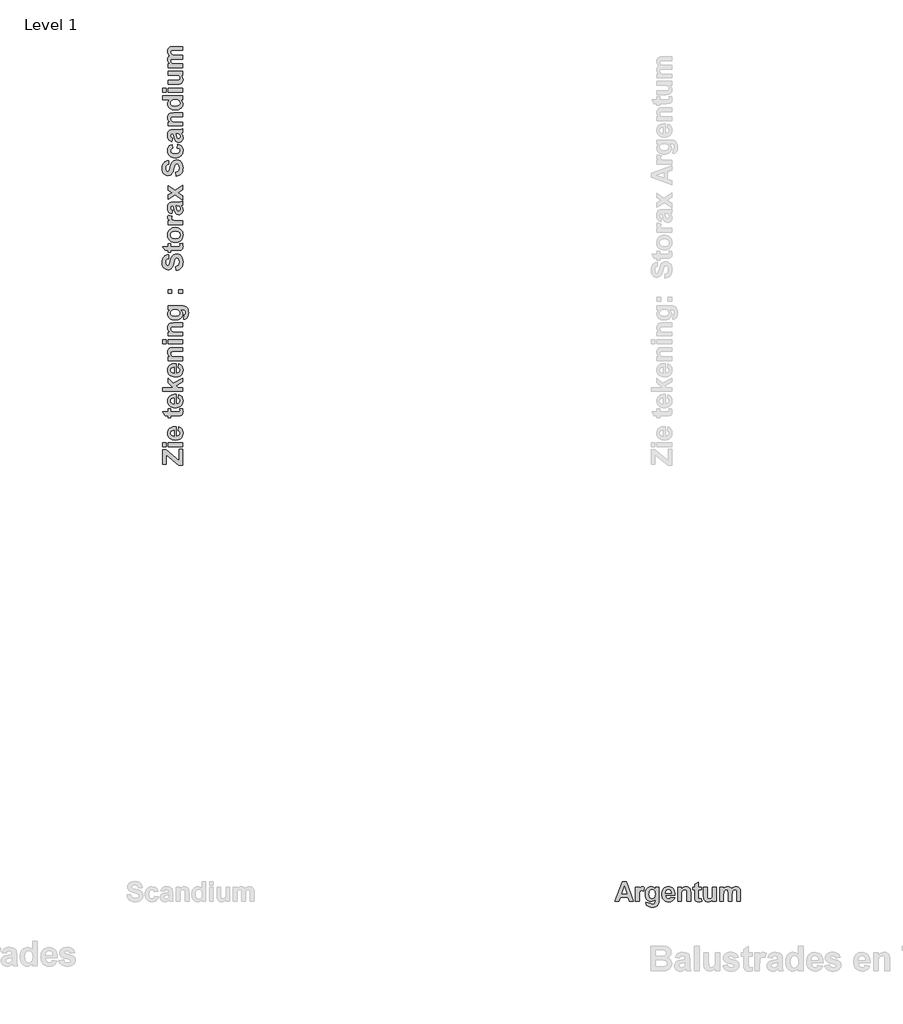
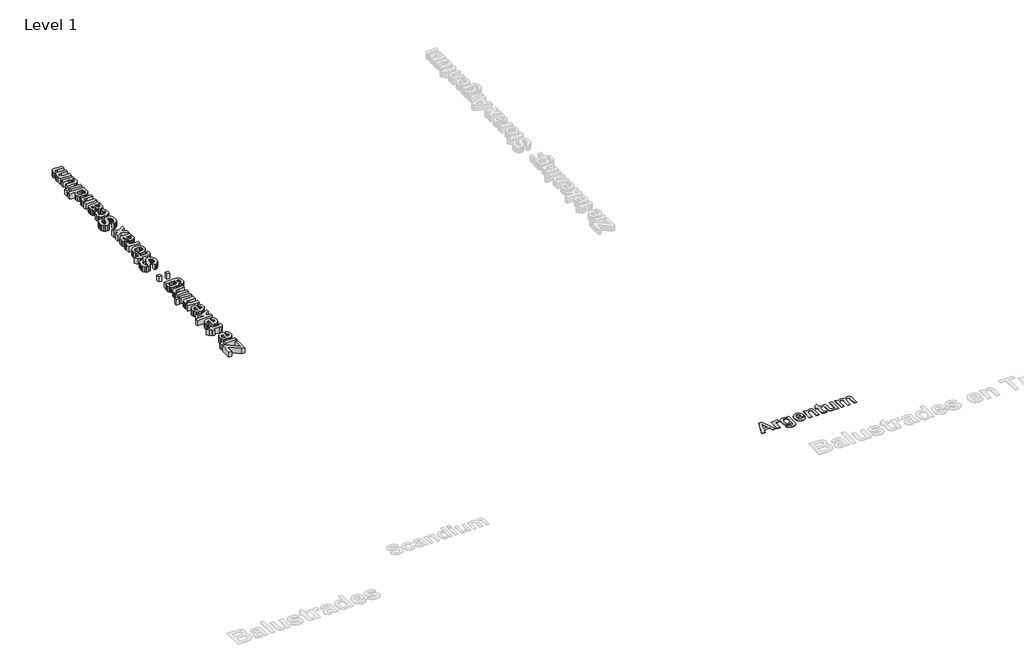
# One storey, part 13 of 20: 2 proxies.
"""IFC4 building model written with IfcOpenShell, lengths in millimetres."""

from ifc_helpers import new_model, si_unit, origin, origin_with_axes, place, context, project, spatial, polyline, outline, extrude, element, save

model = new_model("IFC4")

# Units and contexts
model_context = context("Model", 3, world=origin())
ifc_project = project(units=[si_unit("LENGTHUNIT", "METRE", prefix="MILLI")], contexts=[model_context])

# Site, building, storey
site = spatial("IfcSite", under=ifc_project)
building = spatial("IfcBuilding", under=site)
storey = spatial("IfcBuildingStorey", under=building, Name="Level 1", Elevation=0.0)

# Proxies
placement = place(None, origin())
element("IfcBuildingElementProxy", 1, Name="400mm", ObjectType="400mm", at=placement, inside=storey, context=model_context, shape_type="SweptSolid", body=[
    extrude(outline(polyline([(21401.3392889, -15738.0938306), (21321.2797651, -15738.0938306), (21289.9305587, -15649.2049417), (21138.8392889, -15649.2049417), (21107.8869079, -15738.0938306), (21026.7361143, -15738.0938306), (21172.7678603, -15338.0938306), (21253.9186539, -15338.0938306), (21401.3392889, -15738.0938306)]), holes=[polyline([(21265.5257968, -15579.3636718), (21214.0377016, -15433.3319258), (21163.2440508, -15579.3636718), (21265.5257968, -15579.3636718)])]), origin_with_axes(), (0.0, 0.0, 1.0), 5.0),
    extrude(outline(polyline([(21515.6250031, -15738.0938306), (21439.434527, -15738.0938306), (21439.434527, -15446.0303385), (21515.6250031, -15446.0303385), (21515.6250031, -15486.7049417), (21531.7212333, -15462.7838107), (21546.0813524, -15448.7585131), (21560.5158762, -15441.9504774), (21576.8353206, -15439.6811322), (21600.6200428, -15443.6989893), (21623.5615111, -15455.7525607), (21601.3392889, -15528.272402), (21582.9861143, -15518.9718068), (21566.0218285, -15515.8716083), (21551.3764912, -15518.0417472), (21539.1865111, -15524.5521639), (21529.3898841, -15536.7173425), (21521.9246063, -15555.8517671), (21517.1999039, -15590.8716083), (21515.6250031, -15650.6930369), (21515.6250031, -15738.0938306)])), origin_with_axes(), (0.0, 0.0, 1.0), 5.0),
    extrude(outline(polyline([(21648.9583365, -15757.1414496), (21737.8472254, -15769.8398623), (21741.2450428, -15781.0501798), (21747.2718285, -15788.0938306), (21760.4910746, -15793.4509734), (21779.513892, -15795.2366877), (21804.1666698, -15792.9797433), (21821.7757968, -15786.2089099), (21830.059527, -15778.2972036), (21836.0615111, -15766.6652591), (21839.434527, -15731.1493861), (21839.434527, -15688.5898623), (21819.7854694, -15710.2478484), (21798.5367095, -15725.7178385), (21775.6882472, -15734.9998325), (21751.2400825, -15738.0938306), (21724.5349734, -15734.9874318), (21700.7688524, -15725.6682353), (21679.9417194, -15710.1362413), (21662.0535746, -15688.3914496), (21650.7688524, -15667.5457155), (21642.7083365, -15644.2942274), (21637.872027, -15618.6369853), (21636.2599238, -15590.5739893), (21638.3711589, -15556.0346788), (21644.7048643, -15525.8294456), (21655.2610399, -15499.9582899), (21670.0396857, -15478.4212115), (21687.9619327, -15461.4724268), (21707.9489119, -15449.366152), (21730.0006232, -15442.1023871), (21754.1170666, -15439.6811322), (21778.8690508, -15442.5519159), (21801.3392889, -15451.1642671), (21821.5277809, -15465.5181857), (21839.434527, -15485.6136718), (21839.434527, -15446.0303385), (21915.6250031, -15446.0303385), (21915.6250031, -15705.4549417), (21913.5540706, -15750.1101996), (21907.341273, -15781.8934337), (21897.3958365, -15804.5000806), (21884.1269873, -15821.6255766), (21866.6914714, -15834.460398), (21844.2460349, -15844.195021), (21815.9846262, -15850.3334139), (21781.1011936, -15852.3795449), (21747.6624535, -15850.8542472), (21719.4692492, -15846.2783544), (21696.5215805, -15838.6518663), (21678.8194476, -15827.9747829), (21665.6250031, -15814.9539496), (21656.2004, -15800.2962115), (21650.5456381, -15784.0015687), (21648.6607174, -15766.070021), (21648.9583365, -15757.1414496)]), holes=[polyline([(21712.4504, -15587.6970052), (21716.8526817, -15629.6116877), (21722.3555339, -15645.6955171), (21730.059527, -15658.5303385), (21749.7395865, -15675.3458147), (21773.5615111, -15680.9509734), (21799.0947452, -15675.1970052), (21820.3373047, -15657.9351004), (21828.6923395, -15645.0444754), (21834.6602214, -15629.3884734), (21839.434527, -15589.7803385), (21834.8586341, -15548.646906), (21829.138768, -15532.646782), (21821.1309555, -15519.6910528), (21800.4092293, -15502.5407552), (21774.8511936, -15496.8239893), (21750.0620071, -15502.429148), (21730.059527, -15519.2446242), (21722.3555339, -15531.9306361), (21716.8526817, -15547.5680369), (21712.4504, -15587.6970052)])]), origin_with_axes(), (0.0, 0.0, 1.0), 5.0),
    extrude(outline(polyline([(22156.8948444, -15649.2049417), (22233.0853206, -15661.9033544), (22214.5337333, -15697.4564298), (22202.1329397, -15711.6150359), (22187.6488127, -15723.3616877), (22171.1495567, -15732.584778), (22152.7033762, -15739.1726996), (22109.9702412, -15744.4430369), (22075.4650329, -15741.3366381), (22045.7589317, -15732.0174417), (22020.8519377, -15716.4854476), (22000.7440508, -15694.740656), (21988.5044674, -15673.5414992), (21979.7619079, -15649.725775), (21974.5163722, -15623.2934833), (21972.7678603, -15594.2446242), (21975.0868087, -15559.9936322), (21982.0436539, -15529.6612909), (21993.638396, -15503.2476004), (22009.8710349, -15480.7525607), (22029.6503008, -15462.7838107), (22051.8849238, -15449.9489893), (22076.5749039, -15442.2480964), (22103.7202412, -15439.6811322), (22133.8851718, -15442.3163008), (22160.6894873, -15450.2218068), (22184.1331877, -15463.39765), (22204.216273, -15481.8438306), (22220.2194972, -15505.7339595), (22231.4236143, -15535.241648), (22237.8286242, -15570.366896), (22239.434527, -15611.1097036), (22048.9583365, -15611.1097036), (22053.8442492, -15643.2029575), (22066.9146857, -15667.2604972), (22086.185519, -15682.2902591), (22109.6726222, -15687.3001798), (22125.669646, -15685.0432353), (22138.9384952, -15678.272402), (22149.3799635, -15666.491648), (22156.8948444, -15649.2049417)]), holes=[polyline([(22163.2440508, -15566.6652591), (22158.6061539, -15536.5437314), (22146.2797651, -15514.631529), (22128.373019, -15501.2758742), (22106.9940508, -15496.8239893), (22084.4246063, -15501.5114893), (22066.1210349, -15515.5739893), (22054.1170666, -15537.7714099), (22050.248019, -15566.6652591), (22163.2440508, -15566.6652591)])]), origin_with_axes(), (0.0, 0.0, 1.0), 5.0),
    extrude(outline(polyline([(22556.8948444, -15738.0938306), (22480.7043682, -15738.0938306), (22480.7043682, -15587.9946242), (22479.513892, -15548.7089099), (22475.9424635, -15526.288275), (22469.6676619, -15513.8626798), (22460.3670666, -15504.5620845), (22448.4871063, -15498.7585131), (22434.4742095, -15496.8239893), (22416.0342293, -15499.5893663), (22399.6031778, -15507.8854972), (22386.607146, -15520.757521), (22378.4722254, -15537.2505766), (22374.1939516, -15563.3046441), (22372.7678603, -15604.8597036), (22372.7678603, -15738.0938306), (22296.5773841, -15738.0938306), (22296.5773841, -15446.0303385), (22372.7678603, -15446.0303385), (22372.7678603, -15488.0938306), (22392.044894, -15466.913275), (22413.6656778, -15451.7843068), (22437.6302115, -15442.7069258), (22463.9384952, -15439.6811322), (22487.1031778, -15441.9876798), (22508.184527, -15448.9073226), (22525.7936539, -15459.3983941), (22538.5416698, -15472.4192274), (22547.2842293, -15487.6598028), (22552.8769873, -15504.8101004), (22556.8948444, -15556.7446242), (22556.8948444, -15738.0938306)])), origin_with_axes(), (0.0, 0.0, 1.0), 5.0),
    extrude(outline(polyline([(22772.7678603, -15446.0303385), (22772.7678603, -15503.1731956), (22715.6250031, -15503.1731956), (22715.6250031, -15628.4708147), (22717.3611143, -15672.7664496), (22725.248019, -15683.1831163), (22740.2281778, -15687.3001798), (22775.9424635, -15679.9589099), (22779.1170666, -15734.1255766), (22749.7271857, -15741.8636718), (22716.716273, -15744.4430369), (22696.4285746, -15742.6573226), (22678.2242095, -15737.3001798), (22663.3556579, -15729.115656), (22653.0754, -15718.8477988), (22646.2921658, -15705.5293464), (22641.9146857, -15688.1930369), (22639.434527, -15632.7366877), (22639.434527, -15503.1731956), (22601.3392889, -15503.1731956), (22601.3392889, -15446.0303385), (22639.434527, -15446.0303385), (22639.434527, -15388.8874814), (22715.6250031, -15344.4430369), (22715.6250031, -15446.0303385), (22772.7678603, -15446.0303385)])), origin_with_axes(), (0.0, 0.0, 1.0), 5.0),
    extrude(outline(polyline([(23001.3392889, -15738.0938306), (23001.3392889, -15695.2366877), (22983.7921658, -15715.710398), (22961.5079397, -15731.2981956), (22936.1483166, -15741.1568266), (22909.3750031, -15744.4430369), (22882.9117095, -15741.2188306), (22859.2757968, -15731.5462115), (22840.1289714, -15716.0328187), (22827.1329397, -15695.2862909), (22819.6924635, -15667.4465091), (22817.2123047, -15630.6533544), (22817.2123047, -15446.0303385), (22893.4027809, -15446.0303385), (22893.4027809, -15581.0501798), (22894.4320468, -15631.037779), (22897.5198444, -15656.9926401), (22903.3482174, -15669.4926401), (22912.5992095, -15679.115656), (22925.0372055, -15685.2540488), (22940.4265904, -15687.3001798), (22958.6681579, -15684.5720052), (22974.9007968, -15676.3874814), (22987.7232174, -15664.147898), (22995.7341301, -15649.2545449), (22999.9379992, -15621.3155568), (23001.3392889, -15569.9390687), (23001.3392889, -15446.0303385), (23077.5297651, -15446.0303385), (23077.5297651, -15738.0938306), (23001.3392889, -15738.0938306)])), origin_with_axes(), (0.0, 0.0, 1.0), 5.0),
    extrude(outline(polyline([(23147.3710349, -15446.0303385), (23223.5615111, -15446.0303385), (23223.5615111, -15485.1176401), (23242.3177115, -15465.2391679), (23262.7728206, -15451.0402591), (23284.9268385, -15442.5209139), (23308.7797651, -15439.6811322), (23333.3209357, -15442.4713107), (23354.3650825, -15450.8418464), (23371.9370071, -15464.8671441), (23386.0615111, -15484.6216083), (23405.5679595, -15464.8671441), (23426.5873047, -15450.8418464), (23449.0947452, -15442.4713107), (23473.0654793, -15439.6811322), (23502.0089317, -15442.9425409), (23526.1408762, -15452.7267671), (23545.138892, -15468.835398), (23558.6805587, -15491.070021), (23564.4841301, -15515.4995845), (23566.4186539, -15551.4866877), (23566.4186539, -15738.0938306), (23490.2281778, -15738.0938306), (23490.2281778, -15569.9390687), (23488.2936539, -15533.9519655), (23482.4900825, -15513.490656), (23469.3452412, -15500.990656), (23450.5456381, -15496.8239893), (23435.3298643, -15499.3165488), (23421.0317492, -15506.7942274), (23409.1269873, -15519.0834139), (23401.091273, -15536.0104972), (23396.5153801, -15560.8368861), (23394.9900825, -15596.8239893), (23394.9900825, -15738.0938306), (23318.7996063, -15738.0938306), (23318.7996063, -15576.8835131), (23314.8313524, -15521.4767671), (23309.7842293, -15510.6136718), (23302.5793682, -15502.9251798), (23292.795142, -15498.3492869), (23280.0099238, -15496.8239893), (23263.7152809, -15499.2421441), (23249.1567492, -15506.4966083), (23237.4007968, -15518.3269655), (23229.513892, -15534.4727988), (23225.0496063, -15558.7907552), (23223.5615111, -15595.1374814), (23223.5615111, -15738.0938306), (23147.3710349, -15738.0938306), (23147.3710349, -15446.0303385)])), origin_with_axes(), (0.0, 0.0, 1.0), 5.0),
])
element("IfcBuildingElementProxy", 2, Name="400mm", ObjectType="400mm", at=placement, inside=storey, context=model_context, shape_type="SweptSolid", body=[
    extrude(outline(polyline([(12273.6643168, -6913.9641128), (12195.9302673, -6913.9641128), (11936.8167689, -6695.2358823), (11936.8167689, -6888.0527629), (11865.5605568, -6888.0527629), (11865.5605568, -6596.5500772), (11936.8167689, -6596.5500772), (12202.4081047, -6820.7439831), (12202.4081047, -6590.0722398), (12273.6643168, -6590.0722398), (12273.6643168, -6913.9641128)])), origin_with_axes(), (0.0, 0.0, 1.0), 150.0),
    extrude(outline(polyline([(12273.6643168, -6538.2495401), (11975.6837936, -6538.2495401), (11975.6837936, -6460.5154906), (12273.6643168, -6460.5154906), (12273.6643168, -6538.2495401)])), origin_with_axes(), (0.0, 0.0, 1.0), 150.0),
    extrude(outline(polyline([(11936.8167689, -6538.2495401), (11865.5605568, -6538.2495401), (11865.5605568, -6460.5154906), (11936.8167689, -6460.5154906), (11936.8167689, -6538.2495401)])), origin_with_axes(), (0.0, 0.0, 1.0), 150.0),
    extrude(outline(polyline([(12182.9745924, -6214.3576671), (12195.9302673, -6136.6236176), (12232.2036266, -6155.5510489), (12246.6490777, -6168.2030752), (12258.6337096, -6182.9806419), (12268.0436541, -6199.8141629), (12274.7650431, -6218.634052), (12280.1421543, -6262.2329346), (12276.9728217, -6297.4371977), (12267.4648239, -6327.7451267), (12251.618161, -6353.1567215), (12229.4328329, -6373.6719821), (12207.8041939, -6386.1595321), (12183.5059775, -6395.0792106), (12156.5381834, -6400.4310177), (12126.9008118, -6402.2149534), (12091.9559152, -6399.8490245), (12061.0090589, -6392.7512378), (12034.0602429, -6380.9215932), (12011.1094672, -6364.3600908), (11992.7766811, -6344.1801088), (11979.6818339, -6321.4950257), (11971.8249256, -6296.3048414), (11969.2059562, -6268.6095558), (11971.8945118, -6237.8335019), (11979.9601785, -6210.4861471), (11993.4029564, -6186.5674914), (12012.2228456, -6166.0775348), (12036.5969742, -6149.7500948), (12066.7024708, -6138.3189891), (12102.5393352, -6131.7842175), (12144.1075676, -6130.1457801), (12144.1075676, -6324.4809039), (12176.8510116, -6319.4960056), (12201.3959426, -6306.1607698), (12216.7301985, -6286.499521), (12221.8416171, -6262.5365832), (12219.5389483, -6246.2154693), (12212.630942, -6232.6778012), (12200.611517, -6222.024795), (12182.9745924, -6214.3576671)]), holes=[polyline([(12098.7627054, -6207.8798296), (12068.0309335, -6212.6116875), (12045.6748031, -6225.1878016), (12032.0485707, -6243.4573276), (12027.5064933, -6265.2694209), (12032.2889592, -6288.2961087), (12046.6363571, -6306.9704995), (12069.2834841, -6319.217661), (12098.7627054, -6323.1650932), (12098.7627054, -6207.8798296)])]), origin_with_axes(), (0.0, 0.0, 1.0), 150.0),
    extrude(outline(polyline([(11975.6837936, -5773.8647198), (12033.9843308, -5773.8647198), (12033.9843308, -5832.165257), (12161.8204044, -5832.165257), (12207.0134423, -5830.3939733), (12217.6411444, -5822.3472846), (12221.8416171, -5807.0636368), (12214.3516175, -5770.6258011), (12269.6156684, -5767.3868824), (12277.5105328, -5797.3721847), (12280.1421543, -5831.0518786), (12278.3202625, -5851.7505936), (12272.8545871, -5870.3237682), (12264.5042498, -5885.4935478), (12254.028372, -5895.9820776), (12240.4400958, -5902.9027359), (12222.752563, -5907.3689012), (12166.1727014, -5909.8993065), (12033.9843308, -5909.8993065), (12033.9843308, -5948.7663312), (11975.6837936, -5948.7663312), (11975.6837936, -5909.8993065), (11917.3832565, -5909.8993065), (11872.0383943, -5832.165257), (11975.6837936, -5832.165257), (11975.6837936, -5773.8647198)])), origin_with_axes(), (0.0, 0.0, 1.0), 150.0),
    extrude(outline(polyline([(12182.9745924, -5560.0960836), (12195.9302673, -5482.3620341), (12232.2036266, -5501.2894654), (12246.6490777, -5513.9414917), (12258.6337096, -5528.7190584), (12268.0436541, -5545.5525794), (12274.7650431, -5564.3724685), (12280.1421543, -5607.9713511), (12276.9728217, -5643.1756143), (12267.4648239, -5673.4835432), (12251.618161, -5698.895138), (12229.4328329, -5719.4103987), (12207.8041939, -5731.8979486), (12183.5059775, -5740.8176271), (12156.5381834, -5746.1694343), (12126.9008118, -5747.95337), (12091.9559152, -5745.5874411), (12061.0090589, -5738.4896543), (12034.0602429, -5726.6600097), (12011.1094672, -5710.0985073), (11992.7766811, -5689.9185254), (11979.6818339, -5667.2334422), (11971.8249256, -5642.0432579), (11969.2059562, -5614.3479724), (11971.8945118, -5583.5719184), (11979.9601785, -5556.2245636), (11993.4029564, -5532.3059079), (12012.2228456, -5511.8159513), (12036.5969742, -5495.4885114), (12066.7024708, -5484.0574056), (12102.5393352, -5477.5226341), (12144.1075676, -5475.8841967), (12144.1075676, -5670.2193205), (12176.8510116, -5665.2344221), (12201.3959426, -5651.8991864), (12216.7301985, -5632.2379375), (12221.8416171, -5608.2749997), (12219.5389483, -5591.9538858), (12212.630942, -5578.4162177), (12200.611517, -5567.7632116), (12182.9745924, -5560.0960836)]), holes=[polyline([(12098.7627054, -5553.6182462), (12068.0309335, -5558.350104), (12045.6748031, -5570.9262181), (12032.0485707, -5589.1957441), (12027.5064933, -5611.0078374), (12032.2889592, -5634.0345253), (12046.6363571, -5652.7089161), (12069.2834841, -5664.9560775), (12098.7627054, -5668.9035097), (12098.7627054, -5553.6182462)])]), origin_with_axes(), (0.0, 0.0, 1.0), 150.0),
    extrude(outline(polyline([(12273.6643168, -5417.5836595), (11865.5605568, -5417.5836595), (11865.5605568, -5339.84961), (12080.6450037, -5339.84961), (11975.6837936, -5245.9209668), (11975.6837936, -5155.2312424), (12085.1997332, -5255.131642), (12273.6643168, -5148.7534049), (12273.6643168, -5226.4874544), (12140.1601354, -5305.1324499), (12178.2174305, -5339.84961), (12273.6643168, -5339.84961), (12273.6643168, -5417.5836595)])), origin_with_axes(), (0.0, 0.0, 1.0), 150.0),
    extrude(outline(polyline([(12182.9745924, -4938.2236875), (12195.9302673, -4860.4896379), (12232.2036266, -4879.4170693), (12246.6490777, -4892.0690956), (12258.6337096, -4906.8466623), (12268.0436541, -4923.6801832), (12274.7650431, -4942.5000724), (12280.1421543, -4986.0989549), (12276.9728217, -5021.3032181), (12267.4648239, -5051.6111471), (12251.618161, -5077.0227419), (12229.4328329, -5097.5380025), (12207.8041939, -5110.0255524), (12183.5059775, -5118.945231), (12156.5381834, -5124.2970381), (12126.9008118, -5126.0809738), (12091.9559152, -5123.7150449), (12061.0090589, -5116.6172581), (12034.0602429, -5104.7876136), (12011.1094672, -5088.2261112), (11992.7766811, -5068.0461292), (11979.6818339, -5045.3610461), (11971.8249256, -5020.1708617), (11969.2059562, -4992.4755762), (11971.8945118, -4961.6995222), (11979.9601785, -4934.3521674), (11993.4029564, -4910.4335117), (12012.2228456, -4889.9435551), (12036.5969742, -4873.6161152), (12066.7024708, -4862.1850095), (12102.5393352, -4855.6502379), (12144.1075676, -4854.0118005), (12144.1075676, -5048.3469243), (12176.8510116, -5043.3620259), (12201.3959426, -5030.0267902), (12216.7301985, -5010.3655414), (12221.8416171, -4986.4026036), (12219.5389483, -4970.0814897), (12212.630942, -4956.5438215), (12200.611517, -4945.8908154), (12182.9745924, -4938.2236875)]), holes=[polyline([(12098.7627054, -4931.74585), (12068.0309335, -4936.4777078), (12045.6748031, -4949.053822), (12032.0485707, -4967.3233479), (12027.5064933, -4989.1354413), (12032.2889592, -5012.1621291), (12046.6363571, -5030.8365199), (12069.2834841, -5043.0836814), (12098.7627054, -5047.0311136), (12098.7627054, -4931.74585)])]), origin_with_axes(), (0.0, 0.0, 1.0), 150.0),
    extrude(outline(polyline([(12273.6643168, -4530.1199275), (12273.6643168, -4607.853977), (12120.5241906, -4607.853977), (12080.4425713, -4609.0685715), (12057.5677078, -4612.7123551), (12044.8903774, -4619.1142804), (12035.4013577, -4628.6033001), (12029.4802094, -4640.7239413), (12027.5064933, -4655.020731), (12030.3278952, -4673.8342941), (12038.7921008, -4690.5982289), (12051.924904, -4703.8575525), (12068.752099, -4712.1572817), (12095.3340062, -4716.5222308), (12137.7309463, -4717.9772138), (12273.6643168, -4717.9772138), (12273.6643168, -4795.7112633), (11975.6837936, -4795.7112633), (11975.6837936, -4717.9772138), (12018.5994668, -4717.9772138), (11996.9898059, -4698.309639), (11981.5543338, -4676.2508311), (11972.2930506, -4651.8007903), (11969.2059562, -4624.9595165), (11971.5592331, -4601.3255314), (11978.6190637, -4579.8170867), (11989.322678, -4561.8512094), (12002.6073056, -4548.8449264), (12018.1566459, -4539.9252479), (12035.6543982, -4534.219184), (12088.6410843, -4530.1199275), (12273.6643168, -4530.1199275)])), origin_with_axes(), (0.0, 0.0, 1.0), 150.0),
    extrude(outline(polyline([(12273.6643168, -4452.385878), (11975.6837936, -4452.385878), (11975.6837936, -4374.6518284), (12273.6643168, -4374.6518284), (12273.6643168, -4452.385878)])), origin_with_axes(), (0.0, 0.0, 1.0), 150.0),
    extrude(outline(polyline([(11936.8167689, -4452.385878), (11865.5605568, -4452.385878), (11865.5605568, -4374.6518284), (11936.8167689, -4374.6518284), (11936.8167689, -4452.385878)])), origin_with_axes(), (0.0, 0.0, 1.0), 150.0),
    extrude(outline(polyline([(12273.6643168, -4031.3264431), (12273.6643168, -4109.0604926), (12120.5241906, -4109.0604926), (12080.4425713, -4110.2750871), (12057.5677078, -4113.9188707), (12044.8903774, -4120.320796), (12035.4013577, -4129.8098157), (12029.4802094, -4141.9304569), (12027.5064933, -4156.2272466), (12030.3278952, -4175.0408097), (12038.7921008, -4191.8047445), (12051.924904, -4205.0640681), (12068.752099, -4213.3637973), (12095.3340062, -4217.7287464), (12137.7309463, -4219.1837294), (12273.6643168, -4219.1837294), (12273.6643168, -4296.9177789), (11975.6837936, -4296.9177789), (11975.6837936, -4219.1837294), (12018.5994668, -4219.1837294), (11996.9898059, -4199.5161545), (11981.5543338, -4177.4573467), (11972.2930506, -4153.0073059), (11969.2059562, -4126.1660321), (11971.5592331, -4102.532047), (11978.6190637, -4081.0236023), (11989.322678, -4063.057725), (12002.6073056, -4050.051442), (12018.1566459, -4041.1317634), (12035.6543982, -4035.4256996), (12088.6410843, -4031.3264431), (12273.6643168, -4031.3264431)])), origin_with_axes(), (0.0, 0.0, 1.0), 150.0),
    extrude(outline(polyline([(12293.0978292, -3960.070231), (12306.0535041, -3869.3805066), (12317.4909359, -3865.9138514), (12324.6772868, -3859.7649666), (12330.1429621, -3846.2779066), (12331.9648539, -3826.8696982), (12329.6621851, -3801.71747), (12322.7541788, -3783.7515926), (12314.682186, -3775.3000391), (12302.8145854, -3769.1764583), (12266.5791821, -3765.7351072), (12223.1574278, -3765.7351072), (12245.2541918, -3785.7822429), (12261.0375946, -3807.4614899), (12270.5076362, -3830.7728483), (12273.6643168, -3855.7163182), (12270.4949842, -3882.9624568), (12260.9869864, -3907.2100652), (12245.1403235, -3928.4591433), (12222.9549954, -3946.7096912), (12201.6869392, -3958.2230352), (12177.9643899, -3966.4468522), (12151.7873475, -3971.3811425), (12123.1558121, -3973.0259059), (12087.9167558, -3970.8718984), (12057.0995828, -3964.409876), (12030.704293, -3953.6398386), (12008.7308863, -3938.5617863), (11991.4387294, -3920.2764453), (11979.0871887, -3899.8845419), (11971.6762643, -3877.3860762), (11969.2059562, -3852.7810481), (11972.1349003, -3827.5276036), (11980.9217325, -3804.602132), (11995.5664529, -3784.0046332), (12016.0690615, -3765.7351072), (11975.6837936, -3765.7351072), (11975.6837936, -3688.0010577), (12240.3641836, -3688.0010577), (12285.9241303, -3690.1139461), (12318.3512736, -3696.4526112), (12341.4159176, -3706.5995363), (12358.8883659, -3720.1372045), (12371.9832131, -3737.9259534), (12381.9150537, -3760.826121), (12388.1778067, -3789.6600889), (12390.2653911, -3825.2502389), (12388.7091918, -3859.3664278), (12384.0405941, -3888.1308095), (12376.259598, -3911.5433842), (12365.3662033, -3929.6041517), (12352.0815757, -3943.0659077), (12337.1268807, -3952.6814476), (12320.5021181, -3958.4507716), (12302.2072881, -3960.3738796), (12293.0978292, -3960.070231)]), holes=[polyline([(12120.220542, -3895.2918564), (12162.9843908, -3890.8003871), (12179.3940689, -3885.1860504), (12192.4889161, -3877.3259791), (12209.6450638, -3857.2472133), (12215.3637797, -3832.9426708), (12209.4932395, -3806.8921487), (12191.8816189, -3785.2192277), (12178.7298375, -3776.694925), (12162.7566543, -3770.6061373), (12122.3460824, -3765.7351072), (12080.3793112, -3770.4037049), (12064.0550343, -3776.239452), (12050.8368298, -3784.409498), (12033.3390774, -3805.5510339), (12027.5064933, -3831.6268601), (12033.2252092, -3856.9182607), (12050.3813568, -3877.3259791), (12063.3243797, -3885.1860504), (12079.2785849, -3890.8003871), (12120.220542, -3895.2918564)])]), origin_with_axes(), (0.0, 0.0, 1.0), 150.0),
    extrude(outline(polyline([(12053.4178431, -3435.3653967), (11975.6837936, -3435.3653967), (11975.6837936, -3357.6313472), (12053.4178431, -3357.6313472), (12053.4178431, -3435.3653967)])), origin_with_axes(), (0.0, 0.0, 1.0), 150.0),
    extrude(outline(polyline([(12273.6643168, -3435.3653967), (12195.9302673, -3435.3653967), (12195.9302673, -3357.6313472), (12273.6643168, -3357.6313472), (12273.6643168, -3435.3653967)])), origin_with_axes(), (0.0, 0.0, 1.0), 150.0),
    extrude(outline(polyline([(12137.6297301, -2968.9610996), (12131.1518927, -2891.2270501), (12165.9196609, -2879.8908345), (12190.0597271, -2860.862187), (12204.1793884, -2834.0145872), (12208.8859422, -2799.2215149), (12204.7234255, -2763.1126319), (12192.2358756, -2737.175978), (12174.1814341, -2721.5380735), (12153.3182427, -2716.3254387), (12140.0968753, -2718.4889352), (12128.9757441, -2724.9794247), (12119.5752886, -2736.8849814), (12111.5159479, -2755.2936796), (12094.2079759, -2822.7036757), (12076.3180107, -2880.2450913), (12065.873763, -2901.4625394), (12054.4300053, -2917.644481), (12036.7108424, -2934.4273939), (12017.1571358, -2946.4151888), (11995.7688854, -2953.6078657), (11972.5460911, -2956.0054247), (11942.4848766, -2951.6025195), (11914.4479864, -2938.3938041), (11890.6368729, -2916.8853594), (11873.2529888, -2887.5832665), (11862.6252867, -2850.9683024), (11859.0827193, -2807.5212442), (11861.2904979, -2771.5800005), (11867.9138337, -2740.3769406), (11878.9527266, -2713.9120647), (11894.4071767, -2692.1853725), (11913.5433665, -2675.1272781), (11935.6274784, -2662.6681952), (11960.6595124, -2654.8081238), (11988.6394685, -2651.5470641), (11988.6394685, -2729.2811136), (11961.9310411, -2737.8718394), (11943.9525117, -2752.7126663), (11933.7423265, -2775.1700129), (11930.3389314, -2806.6102983), (11933.9574109, -2839.707999), (11944.8128495, -2864.708403), (11955.6935921, -2874.8806321), (11969.7120372, -2878.2713752), (11982.9460567, -2875.1842808), (11994.1051439, -2865.9229975), (12007.1746871, -2839.0374416), (12020.6743991, -2789.7577993), (12034.7181483, -2737.163326), (12049.4198028, -2700.3332774), (12067.2212038, -2674.5231438), (12090.5641923, -2654.9884152), (12119.739765, -2642.6906457), (12155.0389183, -2638.5913892), (12188.7439163, -2643.4371152), (12220.2221577, -2657.9742934), (12246.6901967, -2681.3805421), (12265.3645875, -2712.8334794), (12276.4477626, -2752.6747102), (12280.1421543, -2801.2458391), (12277.8679525, -2837.5698066), (12271.0453473, -2869.4149568), (12259.6743387, -2896.7812896), (12243.7549266, -2919.6688052), (12223.4768915, -2938.2356538), (12199.0300137, -2952.6399857), (12170.4142933, -2962.881801), (12137.6297301, -2968.9610996)])), origin_with_axes(), (0.0, 0.0, 1.0), 150.0),
    extrude(outline(polyline([(11975.6837936, -2431.3005904), (12033.9843308, -2431.3005904), (12033.9843308, -2489.6011276), (12161.8204044, -2489.6011276), (12207.0134423, -2487.8298439), (12217.6411444, -2479.7831552), (12221.8416171, -2464.4995074), (12214.3516175, -2428.0616717), (12269.6156684, -2424.822753), (12277.5105328, -2454.8080553), (12280.1421543, -2488.4877493), (12278.3202625, -2509.1864643), (12272.8545871, -2527.7596389), (12264.5042498, -2542.9294184), (12254.028372, -2553.4179482), (12240.4400958, -2560.3386066), (12222.752563, -2564.8047718), (12166.1727014, -2567.3351771), (12033.9843308, -2567.3351771), (12033.9843308, -2606.2022019), (11975.6837936, -2606.2022019), (11975.6837936, -2567.3351771), (11917.3832565, -2567.3351771), (11872.0383943, -2489.6011276), (11975.6837936, -2489.6011276), (11975.6837936, -2431.3005904)])), origin_with_axes(), (0.0, 0.0, 1.0), 150.0),
    extrude(outline(polyline([(12120.4229744, -2405.3892406), (12081.8722503, -2400.5941226), (12044.5614247, -2386.2087687), (12012.2101935, -2363.0429086), (11988.5382523, -2331.9062719), (11974.0390302, -2294.7346187), (11969.2059562, -2253.4637089), (11971.9451199, -2221.4762234), (11980.1626109, -2192.5188983), (11993.8584294, -2166.5917334), (12013.0325752, -2143.6947288), (12036.3945418, -2124.9855449), (12062.6538223, -2111.6218422), (12091.8104169, -2103.6036205), (12123.8643255, -2100.93088), (12156.1744377, -2103.6320876), (12185.5935618, -2111.7357104), (12212.1216979, -2125.2417485), (12235.758846, -2144.1502018), (12255.1765434, -2167.1515856), (12269.0463272, -2192.9364151), (12277.3681975, -2221.5046905), (12280.1421543, -2252.8564116), (12275.5241647, -2292.49521), (12261.6701959, -2330.2362044), (12238.8838965, -2362.6253917), (12207.4689152, -2386.2087687), (12167.8427689, -2400.5941226), (12120.4229744, -2405.3892406)]), holes=[polyline([(12124.6740552, -2327.6551911), (12166.2359616, -2322.2780799), (12182.8891912, -2315.5566909), (12196.7906051, -2306.1467464), (12207.7504228, -2294.7630857), (12215.5788641, -2282.1205485), (12220.2759289, -2268.2191346), (12221.8416171, -2253.0588441), (12220.2759289, -2237.9048796), (12215.5788641, -2224.0224437), (12207.7504228, -2211.4115365), (12196.7906051, -2200.072158), (12182.8512351, -2190.7064955), (12166.0841373, -2184.0167366), (12124.0667579, -2178.6649295), (12082.9603245, -2184.0167366), (12066.4209632, -2190.7064955), (12052.5575054, -2200.072158), (12041.5976876, -2211.4115365), (12033.7692463, -2224.0224437), (12029.0721816, -2237.9048796), (12027.5064933, -2253.0588441), (12029.0721816, -2268.2191346), (12033.7692463, -2282.1205485), (12041.5976876, -2294.7630857), (12052.5575054, -2306.1467464), (12066.4589192, -2315.5566909), (12083.1121489, -2322.2780799), (12124.6740552, -2327.6551911)])]), origin_with_axes(), (0.0, 0.0, 1.0), 150.0),
    extrude(outline(polyline([(12273.6643168, -1964.8962933), (12273.6643168, -2042.6303428), (11975.6837936, -2042.6303428), (11975.6837936, -1964.8962933), (12017.1824399, -1964.8962933), (11992.7766811, -1948.4739632), (11978.4672394, -1933.8229167), (11971.521277, -1919.0959581), (11969.2059562, -1902.4458915), (11973.3052127, -1878.1793051), (11985.6029822, -1854.7730565), (12059.592032, -1877.4454876), (12050.1030123, -1896.1704865), (12046.9400057, -1913.4784585), (12049.1541103, -1928.4205015), (12055.7964241, -1940.8574434), (12068.2080619, -1950.8525441), (12087.7301384, -1958.469064), (12123.4594607, -1963.289486), (12184.4928355, -1964.8962933), (12273.6643168, -1964.8962933)])), origin_with_axes(), (0.0, 0.0, 1.0), 150.0),
    extrude(outline(polyline([(12066.3735181, -1757.6054946), (12053.4178431, -1828.8617066), (12016.0690615, -1813.4135825), (12001.5698394, -1802.6055891), (11989.8540631, -1789.7416414), (11980.8205163, -1774.17016), (11974.3679829, -1755.2395657), (11969.2059562, -1707.3010381), (11972.3310067, -1663.955196), (11981.7061581, -1633.3119883), (11995.8764276, -1612.6132733), (12013.386832, -1599.1009092), (12040.6013405, -1591.6615178), (12083.8839225, -1589.1817206), (12175.7882414, -1589.1817206), (12233.6839137, -1585.0824641), (12273.6643168, -1569.7482082), (12273.6643168, -1647.4822578), (12248.9675615, -1654.7698249), (12239.1495891, -1657.5026626), (12257.0522063, -1677.6193844), (12269.8687089, -1699.102525), (12277.5737929, -1722.0026926), (12280.1421543, -1746.3704952), (12278.582792, -1767.3633699), (12273.9047053, -1786.0092936), (12266.1078941, -1802.3082665), (12255.1923584, -1816.2602885), (12241.8982418, -1827.4415167), (12226.9656878, -1835.4281083), (12210.3946963, -1840.2200632), (12192.1852675, -1841.8173816), (12168.34885, -1838.9706757), (12147.2452701, -1830.4305579), (12129.8107779, -1816.7537175), (12116.9816232, -1798.4968436), (12107.1383468, -1773.4205274), (12098.6614892, -1739.2853605), (12088.6663884, -1695.0791807), (12079.329193, -1666.9157701), (12071.13068, -1666.9157701), (12050.938046, -1669.3323072), (12037.5268981, -1676.5819182), (12030.0115945, -1690.5117992), (12027.5064933, -1712.9691458), (12029.6573378, -1729.0878273), (12036.1098712, -1741.2084685), (12047.9774718, -1750.3685355), (12066.3735181, -1757.6054946)]), holes=[polyline([(12137.6297301, -1666.9157701), (12148.4092565, -1710.7423892), (12160.7070261, -1750.0142788), (12171.7648971, -1760.5660687), (12185.5049976, -1764.083332), (12199.2830542, -1761.2619302), (12211.0620907, -1752.7977246), (12219.1467355, -1739.981222), (12221.8416171, -1724.102929), (12218.7039146, -1705.0489774), (12209.290807, -1686.9565798), (12198.7137131, -1676.0758372), (12186.0110787, -1669.749824), (12151.6987834, -1666.9157701), (12137.6297301, -1666.9157701)])]), origin_with_axes(), (0.0, 0.0, 1.0), 150.0),
    extrude(outline(polyline([(12273.6643168, -1547.0757771), (12120.220542, -1441.8109184), (11975.6837936, -1534.1201022), (11975.6837936, -1441.7097022), (12057.5677078, -1396.7697048), (11975.6837936, -1347.9834914), (11975.6837936, -1255.5730914), (12116.7791908, -1350.6151129), (12273.6643168, -1242.6174165), (12273.6643168, -1335.0278165), (12181.355133, -1396.7697048), (12273.6643168, -1454.6653771), (12273.6643168, -1547.0757771)])), origin_with_axes(), (0.0, 0.0, 1.0), 150.0),
    extrude(outline(polyline([(12137.6297301, -1064.4768864), (12131.1518927, -986.7428368), (12165.9196609, -975.4066213), (12190.0597271, -956.3779737), (12204.1793884, -929.530374), (12208.8859422, -894.7373017), (12204.7234255, -858.6284186), (12192.2358756, -832.6917647), (12174.1814341, -817.0538602), (12153.3182427, -811.8412254), (12140.0968753, -814.0047219), (12128.9757441, -820.4952114), (12119.5752886, -832.4007681), (12111.5159479, -850.8094664), (12094.2079759, -918.2194625), (12076.3180107, -975.760878), (12065.873763, -996.9783261), (12054.4300053, -1013.1602677), (12036.7108424, -1029.9431806), (12017.1571358, -1041.9309755), (11995.7688854, -1049.1236525), (11972.5460911, -1051.5212114), (11942.4848766, -1047.1183063), (11914.4479864, -1033.9095908), (11890.6368729, -1012.4011462), (11873.2529888, -983.0990533), (11862.6252867, -946.4840892), (11859.0827193, -903.0370309), (11861.2904979, -867.0957872), (11867.9138337, -835.8927274), (11878.9527266, -809.4278514), (11894.4071767, -787.7011593), (11913.5433665, -770.6430648), (11935.6274784, -758.1839819), (11960.6595124, -750.3239106), (11988.6394685, -747.0628508), (11988.6394685, -824.7969003), (11961.9310411, -833.3876262), (11943.9525117, -848.228453), (11933.7423265, -870.6857997), (11930.3389314, -902.126085), (11933.9574109, -935.2237858), (11944.8128495, -960.2241897), (11955.6935921, -970.3964189), (11969.7120372, -973.7871619), (11982.9460567, -970.7000675), (11994.1051439, -961.4387843), (12007.1746871, -934.5532284), (12020.6743991, -885.273586), (12034.7181483, -832.6791127), (12049.4198028, -795.8490642), (12067.2212038, -770.0389306), (12090.5641923, -750.504202), (12119.739765, -738.2064324), (12155.0389183, -734.1071759), (12188.7439163, -738.952902), (12220.2221577, -753.4900802), (12246.6901967, -776.8963288), (12265.3645875, -808.3492662), (12276.4477626, -848.1904969), (12280.1421543, -896.7616259), (12277.8679525, -933.0855933), (12271.0453473, -964.9307435), (12259.6743387, -992.2970764), (12243.7549266, -1015.1845919), (12223.4768915, -1033.7514405), (12199.0300137, -1048.1557724), (12170.4142933, -1058.3975877), (12137.6297301, -1064.4768864)])), origin_with_axes(), (0.0, 0.0, 1.0), 150.0),
    extrude(outline(polyline([(12059.8956806, -423.1709778), (12072.8513555, -500.9050273), (12053.0762384, -506.8641317), (12038.893317, -517.4538777), (12030.3531992, -532.2947046), (12027.5064933, -551.0070514), (12032.8456484, -575.6531987), (12048.8631137, -594.7324543), (12061.3316856, -601.8618711), (12077.3807809, -606.9543117), (12120.220542, -611.0282642), (12167.7162486, -606.7898354), (12185.3341953, -601.4917993), (12198.8655374, -594.0745489), (12216.0975972, -574.2235197), (12221.8416171, -548.5778624), (12218.5647423, -529.157002), (12208.7341179, -513.6076617), (12190.8821088, -502.0057536), (12163.54108, -494.4271899), (12176.4967549, -416.6931404), (12200.5830499, -423.8573502), (12221.5253165, -433.7101157), (12239.3235544, -446.2514368), (12253.9777639, -461.4813134), (12265.4246847, -479.4630058), (12273.6010567, -500.259774), (12278.5068799, -523.8716181), (12280.1421543, -550.298538), (12277.5674669, -580.3249594), (12269.8434049, -607.1440921), (12256.9699681, -630.7559361), (12238.9471567, -651.1604915), (12216.3759418, -667.6112887), (12189.8572947, -679.3618581), (12159.3912153, -686.4121998), (12124.9777038, -688.7623137), (12090.1751425, -686.4280148), (12059.4528597, -679.4251183), (12032.8108553, -667.753624), (12010.2491295, -651.4135321), (11992.2927411, -631.0880518), (11979.4667495, -607.4603927), (11971.7711545, -580.5305548), (11969.2059562, -550.298538), (11974.8108038, -503.5113448), (11981.8168634, -484.1221145), (11991.6253468, -467.4024617), (12004.2995141, -453.099346), (12019.9026255, -440.9597268), (12059.8956806, -423.1709778)])), origin_with_axes(), (0.0, 0.0, 1.0), 150.0),
    extrude(outline(polyline([(12066.3735181, -293.6142286), (12053.4178431, -364.8704407), (12016.0690615, -349.4223166), (12001.5698394, -338.6143231), (11989.8540631, -325.7503754), (11980.8205163, -310.178894), (11974.3679829, -291.2482997), (11969.2059562, -243.3097721), (11972.3310067, -199.96393), (11981.7061581, -169.3207224), (11995.8764276, -148.6220073), (12013.386832, -135.1096433), (12040.6013405, -127.6702518), (12083.8839225, -125.1904547), (12175.7882414, -125.1904547), (12233.6839137, -121.0911981), (12273.6643168, -105.7569423), (12273.6643168, -183.4909918), (12248.9675615, -190.7785589), (12239.1495891, -193.5113966), (12257.0522063, -213.6281184), (12269.8687089, -235.1112591), (12277.5737929, -258.0114266), (12280.1421543, -282.3792293), (12278.582792, -303.3721039), (12273.9047053, -322.0180276), (12266.1078941, -338.3170005), (12255.1923584, -352.2690225), (12241.8982418, -363.4502507), (12226.9656878, -371.4368423), (12210.3946963, -376.2287973), (12192.1852675, -377.8261156), (12168.34885, -374.9794097), (12147.2452701, -366.4392919), (12129.8107779, -352.7624515), (12116.9816232, -334.5055776), (12107.1383468, -309.4292615), (12098.6614892, -275.2940945), (12088.6663884, -231.0879147), (12079.329193, -202.9245042), (12071.13068, -202.9245042), (12050.938046, -205.3410412), (12037.5268981, -212.5906523), (12030.0115945, -226.5205332), (12027.5064933, -248.9778799), (12029.6573378, -265.0965614), (12036.1098712, -277.2172025), (12047.9774718, -286.3772696), (12066.3735181, -293.6142286)]), holes=[polyline([(12137.6297301, -202.9245042), (12148.4092565, -246.7511232), (12160.7070261, -286.0230128), (12171.7648971, -296.5748028), (12185.5049976, -300.0920661), (12199.2830542, -297.2706642), (12211.0620907, -288.8064586), (12219.1467355, -275.989956), (12221.8416171, -260.111663), (12218.7039146, -241.0577114), (12209.290807, -222.9653138), (12198.7137131, -212.0845712), (12186.0110787, -205.7585581), (12151.6987834, -202.9245042), (12137.6297301, -202.9245042)])]), origin_with_axes(), (0.0, 0.0, 1.0), 150.0),
    extrude(outline(polyline([(12273.6643168, 218.1349307), (12273.6643168, 140.4008812), (12120.5241906, 140.4008812), (12080.4425713, 139.1862867), (12057.5677078, 135.5425031), (12044.8903774, 129.1405778), (12035.4013577, 119.6515581), (12029.4802094, 107.5309169), (12027.5064933, 93.2341272), (12030.3278952, 74.4205641), (12038.7921008, 57.6566293), (12051.924904, 44.3973057), (12068.752099, 36.0975765), (12095.3340062, 31.7326274), (12137.7309463, 30.2776444), (12273.6643168, 30.2776444), (12273.6643168, -47.4564051), (11975.6837936, -47.4564051), (11975.6837936, 30.2776444), (12018.5994668, 30.2776444), (11996.9898059, 49.9452193), (11981.5543338, 72.0040271), (11972.2930506, 96.4540679), (11969.2059562, 123.2953417), (11971.5592331, 146.9293268), (11978.6190637, 168.4377715), (11989.322678, 186.4036488), (12002.6073056, 199.4099318), (12018.1566459, 208.3296104), (12035.6543982, 214.0356742), (12088.6410843, 218.1349307), (12273.6643168, 218.1349307)])), origin_with_axes(), (0.0, 0.0, 1.0), 150.0),
    extrude(outline(polyline([(12273.6643168, 561.4603161), (12273.6643168, 483.7262666), (12230.7486436, 483.7262666), (12252.5480849, 464.7608792), (12267.9456009, 442.6830933), (12277.0930159, 418.960544), (12280.1421543, 395.0608664), (12277.5611409, 371.4933044), (12269.8181008, 349.6780481), (12256.913034, 329.6150974), (12238.8459404, 311.3044523), (12216.1545313, 296.0492716), (12189.3765177, 285.152714), (12158.5118995, 278.6147794), (12123.5606769, 276.4354679), (12088.0211351, 278.6116164), (12057.0110186, 285.140062), (12030.5303276, 296.0208046), (12008.579062, 311.2538442), (11991.3533282, 329.8143668), (11979.0492326, 350.6775581), (11971.6667753, 373.8434183), (11969.2059562, 399.3119472), (11971.7553395, 422.8826722), (11979.4034894, 444.8086337), (11992.1504058, 465.0898319), (12009.9960889, 483.7262666), (11865.5605568, 483.7262666), (11865.5605568, 561.4603161), (12273.6643168, 561.4603161)]), holes=[polyline([(12119.0059474, 354.1695174), (12161.3143233, 357.4084361), (12190.0597271, 367.1251923), (12203.964304, 377.4176157), (12213.8961446, 389.5698869), (12219.855249, 403.5820061), (12221.8416171, 419.453973), (12215.8825127, 444.2519446), (12198.0051996, 465.0012677), (12184.6161928, 473.1934547), (12168.2855898, 479.0450169), (12126.7995956, 483.7262666), (12081.3661692, 479.1841892), (12064.2005326, 473.5065924), (12050.7356136, 465.5579568), (12033.3137734, 444.8212858), (12027.5064933, 418.947892), (12033.2505132, 393.6438394), (12050.4825731, 372.7933001), (12063.3813139, 364.6453952), (12079.1014565, 358.8254631), (12119.0059474, 354.1695174)])]), origin_with_axes(), (0.0, 0.0, 1.0), 150.0),
    extrude(outline(polyline([(11936.8167689, 639.1943656), (11865.5605568, 639.1943656), (11865.5605568, 716.9284152), (11936.8167689, 716.9284152), (11936.8167689, 639.1943656)])), origin_with_axes(), (0.0, 0.0, 1.0), 150.0),
    extrude(outline(polyline([(12273.6643168, 639.1943656), (11975.6837936, 639.1943656), (11975.6837936, 716.9284152), (12273.6643168, 716.9284152), (12273.6643168, 639.1943656)])), origin_with_axes(), (0.0, 0.0, 1.0), 150.0),
    extrude(outline(polyline([(12273.6643168, 982.519751), (12229.9389139, 982.519751), (12250.8274093, 964.6171338), (12266.7310064, 941.8814426), (12276.7893673, 916.0080488), (12280.1421543, 888.6923241), (12276.8526274, 861.6929), (12266.9840469, 837.5781378), (12251.156362, 818.0434093), (12229.989522, 804.7840857), (12201.585723, 797.1928699), (12164.047161, 794.6624647), (11975.6837936, 794.6624647), (11975.6837936, 872.3965142), (12113.4390559, 872.3965142), (12164.4393738, 873.4466324), (12190.9200649, 876.5969869), (12203.6733074, 882.5434393), (12213.4912798, 891.9818509), (12219.7540328, 904.6718333), (12221.8416171, 920.3729979), (12219.0581713, 938.9841286), (12210.707834, 955.545631), (12198.220284, 968.6278261), (12183.0252005, 976.8010351), (12154.5201852, 981.090072), (12102.1028403, 982.519751), (11975.6837936, 982.519751), (11975.6837936, 1060.2538005), (12273.6643168, 1060.2538005), (12273.6643168, 982.519751)])), origin_with_axes(), (0.0, 0.0, 1.0), 150.0),
    extrude(outline(polyline([(11975.6837936, 1131.5100126), (11975.6837936, 1209.2440621), (12015.5629805, 1209.2440621), (11995.2817824, 1228.3802519), (11980.7952123, 1249.2497692), (11972.1032702, 1271.8526142), (11969.2059562, 1296.1887868), (11972.0526621, 1321.2271468), (11980.5927798, 1342.6976354), (11994.9022216, 1360.6255567), (12015.0568994, 1375.0362146), (11994.9022216, 1394.937852), (11980.5927798, 1416.3830365), (11972.0526621, 1439.3464642), (11969.2059562, 1463.8028311), (11972.5334391, 1493.3326604), (11982.5158878, 1517.9535036), (11998.95087, 1537.3364078), (12021.6359531, 1551.1524206), (12046.5604449, 1557.0735689), (12083.2766252, 1559.047285), (12273.6643168, 1559.047285), (12273.6643168, 1481.3132354), (12102.1028403, 1481.3132354), (12065.38666, 1479.3395193), (12044.5108166, 1473.418371), (12031.7575741, 1460.0072232), (12027.5064933, 1440.8267513), (12030.0495506, 1425.3027151), (12037.6787224, 1410.7149287), (12050.2168805, 1398.5689835), (12067.4868964, 1390.3704705), (12092.816253, 1385.7018728), (12129.5324333, 1384.1456735), (12273.6643168, 1384.1456735), (12273.6643168, 1306.411624), (12109.187975, 1306.411624), (12052.6587216, 1302.3629756), (12041.5755465, 1297.2136009), (12033.7312902, 1289.8627736), (12029.0626925, 1279.8803249), (12027.5064933, 1266.8360858), (12029.9736384, 1250.2113232), (12037.3750738, 1235.3578444), (12049.4451069, 1223.3637235), (12065.9180451, 1215.3170347), (12090.7286687, 1210.7623053), (12127.8117577, 1209.2440621), (12273.6643168, 1209.2440621), (12273.6643168, 1131.5100126), (11975.6837936, 1131.5100126)])), origin_with_axes(), (0.0, 0.0, 1.0), 150.0),
])

save(model, "model.ifc")
